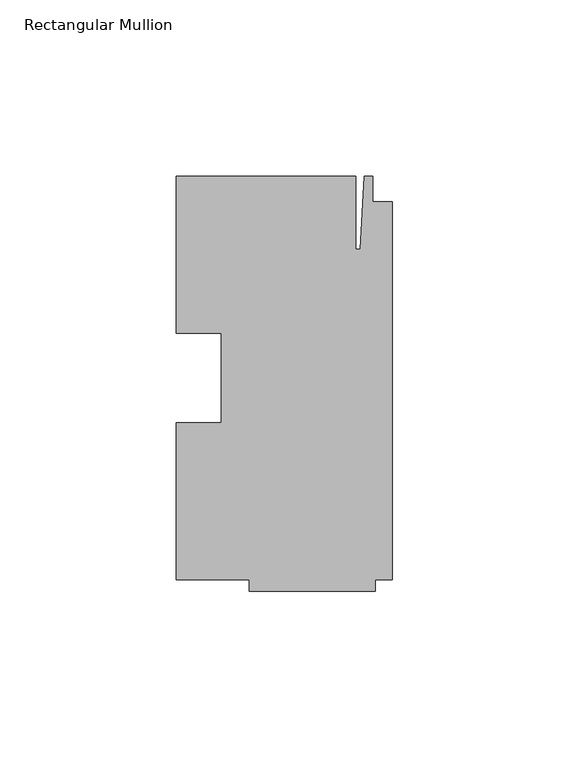
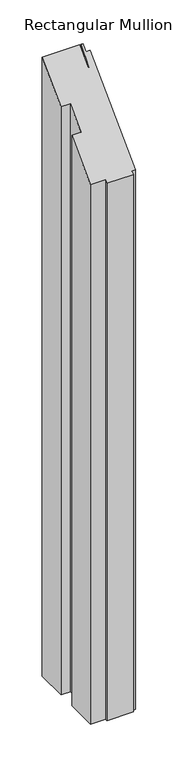
"""IFC4 building model written with IfcOpenShell, lengths in millimetres: member geometry, Rectangular Mullion."""

from ifc_helpers import new_model, si_unit, origin, place, context, project, spatial, faceted_brep, source, transform, mapped, element, save


def rectangular_mullion_bc56ddb7(model_context):
    return source(origin(), model_context, "Body", "Brep", [
        faceted_brep([(-48.41875, -12.7, -833.9666667), (-48.41875, 12.7, -833.9666667), (-61.11875, 12.7, -833.9666667), (-61.11875, 57.15, -833.9666667), (-10.31875, 57.15, -833.9666667), (-10.31875, 36.5125, -833.9666667), (-9.0190655, 36.5125, -833.9666667), (-7.9375, 57.15, -833.9666667), (-5.55625, 57.15, -833.9666667), (-5.55625, 50.00625, -833.9666667), (0.0, 50.00625, -833.9666667), (0.0, -57.15, -833.9666667), (-4.7625, -57.15, -833.9666667), (-4.7625, -60.325, -833.9666667), (-40.48125, -60.325, -833.9666667), (-40.48125, -57.15, -833.9666667), (-61.11875, -57.15, -833.9666667), (-61.11875, -12.7, -833.9666667), (-61.11875, -12.7, -12.7), (-48.41875, -12.7, -12.7), (-61.11875, -57.15, -57.15), (-40.48125, -57.15, -57.15), (-40.48125, -60.325, -60.325), (-4.7625, -60.325, -60.325), (-4.7625, -57.15, -57.15), (0.0, -57.15, -57.15), (0.0, 50.00625, 50.00625), (-5.55625, 50.00625, 50.00625), (-5.55625, 57.15, 57.15), (-7.9375, 57.15, 57.15), (-9.0190655, 36.5125, 36.5125), (-10.31875, 36.5125, 36.5125), (-10.31875, 57.15, 57.15), (-61.11875, 57.15, 57.15), (-61.11875, 12.7, 12.7), (-48.41875, 12.7, 12.7)], [[[0, 1, 2, 3, 4, 5, 6, 7, 8, 9, 10, 11, 12, 13, 14, 15, 16, 17]], [[18, 19, 0, 17]], [[20, 18, 17, 16]], [[21, 20, 16, 15]], [[22, 21, 15, 14]], [[23, 22, 14, 13]], [[24, 23, 13, 12]], [[25, 24, 12, 11]], [[26, 25, 11, 10]], [[27, 26, 10, 9]], [[28, 27, 9, 8]], [[29, 28, 8, 7]], [[30, 29, 7, 6]], [[31, 30, 6, 5]], [[32, 31, 5, 4]], [[33, 32, 4, 3]], [[34, 33, 3, 2]], [[35, 34, 2, 1]], [[19, 35, 1, 0]], [[19, 18, 20, 21, 22, 23, 24, 25, 26, 27, 28, 29, 30, 31, 32, 33, 34, 35]]]),
    ])


if __name__ == "__main__":
    model = new_model("IFC4")
    model_context = context("Model", 3, world=origin())
    ifc_project = project(units=[si_unit("LENGTHUNIT", "METRE", prefix="MILLI")], contexts=[model_context])
    site = spatial("IfcSite", under=ifc_project)
    building = spatial("IfcBuilding", under=site)
    placement = place(None, origin())
    rectangular_mullion_shape = rectangular_mullion_bc56ddb7(model_context)
    element("IfcMember", 1, ObjectType="Rectangular Mullion", at=placement, inside=building, context=model_context, shape_type="MappedRepresentation", body=[
        mapped(rectangular_mullion_shape, transform((0.0, 0.0, 0.0), x_axis=(1.0, 0.0, 0.0), y_axis=(0.0, 1.0, 0.0), z_axis=(0.0, 0.0, 1.0))),
    ])
    save(model, "model.ifc")
